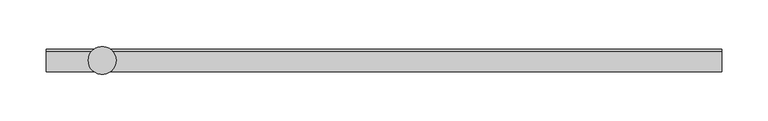
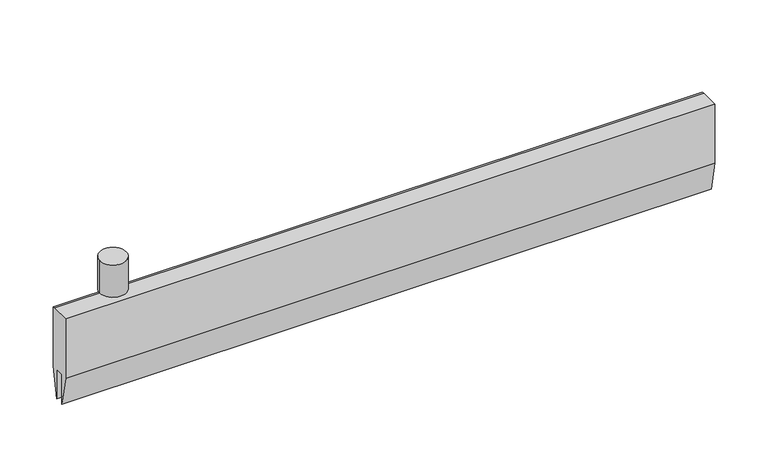
"""IFC4 building model written with IfcOpenShell, lengths in millimetres: proxy geometry."""

from ifc_helpers import new_model, si_unit, point, frame, origin, origin_2d, place, context, project, spatial, polyline, circle_curve, trimmed, segment, composite_curve, outline, extrude, source, transform, mapped, element, save


def specialty_equipment_7343459e(model_context):
    return source(origin(), model_context, "Body", "SweptSolid", [
        extrude(outline(polyline([(-12.0, 49.0), (9.692747, 49.0), (12.0, 49.0), (12.0, -21.0), (5.0, -56.0), (5.0, -21.0), (-5.0, -21.0), (-5.0, -56.0), (-12.0, -21.0), (-12.0, 49.0)])), frame((-60.0, 0.0, 0.0), z_axis=(1.0, 0.0, 0.0), x_axis=(0.0, 1.0, 0.0)), (0.0, 0.0, 1.0), 726.6731661),
        extrude(outline(composite_curve([segment(trimmed(circle_curve(origin_2d(), 15.0), [point((-15.0, 0.0))], [point((15.0, 0.0))], False, "CARTESIAN"), True, "CONTINUOUS"), segment(trimmed(circle_curve(origin_2d(), 15.0), [point((15.0, 0.0))], [point((-15.0, 0.0))], False, "CARTESIAN"), True, "CONTINUOUS")], self_intersect=False)), frame((0.0, 0.0, 57.0), z_axis=(0.0, 0.0, 1.0), x_axis=(1.0, 0.0, 0.0)), (0.0, 0.0, 1.0), 38.0),
    ])


if __name__ == "__main__":
    model = new_model("IFC4")
    model_context = context("Model", 3, world=origin())
    ifc_project = project(units=[si_unit("LENGTHUNIT", "METRE", prefix="MILLI")], contexts=[model_context])
    site = spatial("IfcSite", under=ifc_project)
    building = spatial("IfcBuilding", under=site)
    placement = place(None, origin())
    specialty_equipment_shape = specialty_equipment_7343459e(model_context)
    element("IfcBuildingElementProxy", 1, Name="Specialty Equipment", at=placement, inside=building, context=model_context, shape_type="MappedRepresentation", body=[
        mapped(specialty_equipment_shape, transform((0.0, 0.0, 0.0), x_axis=(1.0, 0.0, 0.0), y_axis=(0.0, 1.0, 0.0), z_axis=(0.0, 0.0, 1.0))),
    ])
    save(model, "model.ifc")
